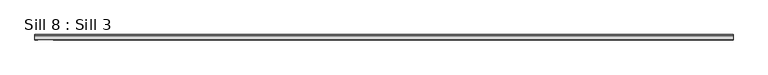
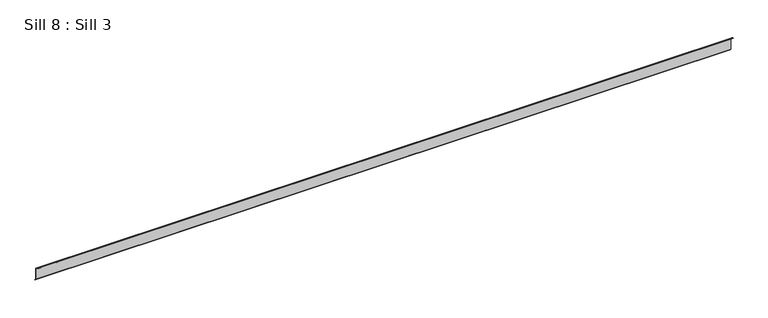
"""IFC4 building model written with IfcOpenShell, lengths in millimetres: proxy geometry, Sill 8 : Sill 3."""

from ifc_helpers import new_model, si_unit, origin, place, context, project, spatial, faceted_brep, source, transform, mapped, element, save


def sill_8_sill_3_dab1cb52(model_context):
    return source(origin(), model_context, "Body", "Brep", [
        faceted_brep([(-5138.1633868, 10076.6195748, 831.277921), (-5138.1633868, 10076.6195748, 752.7525091), (-5138.1633868, 10085.1311273, 744.2409566), (-5138.1633868, 10084.0197501, 743.1295793), (-5138.1633868, 10075.0521224, 752.097207), (-5138.1633868, 10075.0521224, 830.4447681), (-5138.1633868, 10052.3412853, 848.5923879), (-5138.1633868, 10048.3933851, 847.5345512), (-5138.1633868, 10047.9849677, 849.0587857), (-5138.1633868, 10052.7648869, 850.3395612), (-295.6512864, 10076.6195748, 831.277921), (-295.6512864, 10052.7648869, 850.3395612), (-295.6512864, 10047.9849677, 849.0587857), (-295.6512864, 10048.3933851, 847.5345512), (-295.6512864, 10052.3412853, 848.5923879), (-295.6512864, 10075.0521224, 830.4447681), (-295.6512864, 10075.0521224, 752.097207), (-295.6512864, 10084.0197501, 743.1295793), (-295.6512864, 10085.1311273, 744.2409566), (-295.6512864, 10076.6195748, 752.7525091), (-5010.5881444, 10048.3933851, 847.5345512), (-5010.5881444, 10051.9720991, 848.4934647), (-5117.4847818, 10051.9720991, 848.4934647), (-5117.4847818, 10048.3933851, 847.5345512), (-5117.4847818, 10047.9849677, 849.0587857), (-5117.4847818, 10051.5636817, 850.0176992), (-5010.5881444, 10051.5636817, 850.0176992), (-5010.5881444, 10047.9849677, 849.0587857)], [[[0, 1, 2, 3, 4, 5, 6, 7, 8, 9]], [[10, 11, 12, 13, 14, 15, 16, 17, 18, 19]], [[1, 0, 10, 19]], [[2, 1, 19, 18]], [[3, 2, 18, 17]], [[4, 3, 17, 16]], [[5, 4, 16, 15]], [[6, 5, 15, 14]], [[7, 6, 14, 13, 20, 21, 22, 23]], [[8, 7, 23, 24]], [[9, 8, 24, 25, 26, 27, 12, 11]], [[0, 9, 11, 10]], [[13, 12, 27, 20]], [[22, 25, 24, 23]], [[26, 21, 20, 27]], [[25, 22, 21, 26]]]),
    ])


if __name__ == "__main__":
    model = new_model("IFC4")
    model_context = context("Model", 3, world=origin())
    ifc_project = project(units=[si_unit("LENGTHUNIT", "METRE", prefix="MILLI")], contexts=[model_context])
    site = spatial("IfcSite", under=ifc_project)
    building = spatial("IfcBuilding", under=site)
    placement = place(None, origin())
    sill_8_sill_3_shape = sill_8_sill_3_dab1cb52(model_context)
    element("IfcBuildingElementProxy", 1, Name="Sill 8 : Sill 3", ObjectType="Sill 8 : Sill 3", at=placement, inside=building, context=model_context, shape_type="MappedRepresentation", body=[
        mapped(sill_8_sill_3_shape, transform((0.0, 0.0, 0.0), x_axis=(1.0, 0.0, 0.0), y_axis=(0.0, 1.0, 0.0), z_axis=(0.0, 0.0, 1.0))),
    ])
    save(model, "model.ifc")
